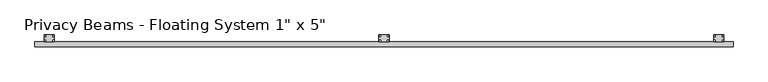
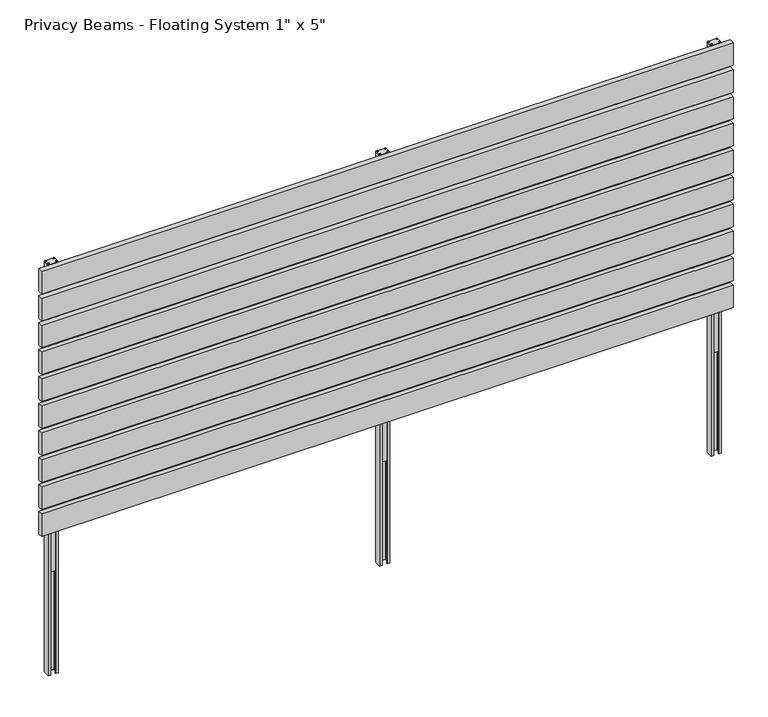
"""IFC4 building model written with IfcOpenShell, lengths in millimetres: railing geometry."""

import ifcopenshell
import ifcopenshell.guid

model = None  # the IFC model being written
_history = None  # IfcOwnerHistory: only IFC2X3 demands one
_inside = {}  # id of a spatial element -> (the spatial element, [elements in it])
_under = {}  # id of a project, library or spatial element -> (it, [spatial elements below it])
_declared = {}  # id of a project -> (the project, [libraries it declares])
_typed = {}  # id of a type object -> (the type object, [elements of that type])
_made_of = {}  # id of a material, layer set ... -> (it, [elements and type objects made of it])


def new_model(schema):
    """Start an empty IFC model of exactly this schema.

    Asked for "IFC4X3", IfcOpenShell would pick the latest addendum, in which some entities
    have other attributes; the version numbers below select the first issue.
    IFC2X3 requires an IfcOwnerHistory on every rooted entity: one is made here for all.
    """
    global model, _history
    if schema == "IFC4X3":
        model = ifcopenshell.file(schema_version=(4, 3, 0, 0))
    else:
        model = ifcopenshell.file(schema=schema)
    _inside.clear()
    _under.clear()
    _declared.clear()
    _typed.clear()
    _made_of.clear()
    _history = None
    if model.schema == "IFC2X3":
        org = make("IfcOrganization", Name="unknown")
        user = make(
            "IfcPersonAndOrganization",
            ThePerson=make("IfcPerson", FamilyName="unknown"),
            TheOrganization=org,
        )
        app = make(
            "IfcApplication",
            ApplicationDeveloper=org,
            Version="unknown",
            ApplicationFullName="unknown",
            ApplicationIdentifier="unknown",
        )
        _history = make(
            "IfcOwnerHistory",
            OwningUser=user,
            OwningApplication=app,
            ChangeAction="ADDED",
            CreationDate=0,
        )
    return model


def make(cls, **values):
    """One entity of the class cls with the attributes given. An attribute that is None is left unset."""
    return model.create_entity(
        cls, **{name: value for name, value in values.items() if value is not None}
    )


def rooted(cls, **values):
    """An entity with a GlobalId (a new one), such as an element, a storey or a relation."""
    return make(cls, GlobalId=ifcopenshell.guid.new(), OwnerHistory=_history, **values)


def si_unit(unit_type, name, prefix=None):
    """IfcSIUnit, for example si_unit("LENGTHUNIT", "METRE", prefix="MILLI")."""
    return make("IfcSIUnit", UnitType=unit_type, Prefix=prefix, Name=name)


def assignment(units):
    """IfcUnitAssignment: the units of a project."""
    return None if units is None else make("IfcUnitAssignment", Units=units)


def point(xyz):
    """IfcCartesianPoint."""
    return None if xyz is None else make("IfcCartesianPoint", Coordinates=xyz)


def direction(xyz):
    """IfcDirection."""
    return None if xyz is None else make("IfcDirection", DirectionRatios=xyz)


def frame(location, z_axis=None, x_axis=None):
    """IfcAxis2Placement3D, a coordinate frame: its origin and axes. An axis left out is left unset."""
    return make(
        "IfcAxis2Placement3D",
        Location=point(location),
        Axis=direction(z_axis),
        RefDirection=direction(x_axis),
    )


def frame_2d(location, x_axis=None):
    """IfcAxis2Placement2D, a coordinate frame in the plane: its origin and x axis."""
    return make(
        "IfcAxis2Placement2D", Location=point(location), RefDirection=direction(x_axis)
    )


def origin():
    """The frame at (0, 0, 0) with its axes left unset."""
    return frame((0.0, 0.0, 0.0))


def origin_with_axes():
    """The frame at (0, 0, 0) with the z axis (0, 0, 1) and the x axis (1, 0, 0) written out."""
    return frame((0.0, 0.0, 0.0), z_axis=(0.0, 0.0, 1.0), x_axis=(1.0, 0.0, 0.0))


def place(relative_to, where):
    """IfcLocalPlacement: puts the frame where relative to a parent placement (None: the world)."""
    return make(
        "IfcLocalPlacement", PlacementRelTo=relative_to, RelativePlacement=where
    )


def context(
    kind, dimensions, precision=None, world=None, true_north=None, identifier=None
):
    """IfcGeometricRepresentationContext, for example the 3D "Model" context."""
    return make(
        "IfcGeometricRepresentationContext",
        ContextIdentifier=identifier,
        ContextType=kind,
        CoordinateSpaceDimension=dimensions,
        Precision=precision,
        WorldCoordinateSystem=world,
        TrueNorth=true_north,
    )


def project(units=None, contexts=None):
    """IfcProject with its units and contexts."""
    return rooted(
        "IfcProject",
        Name="project",
        RepresentationContexts=contexts,
        UnitsInContext=assignment(units),
    )


def spatial(cls, under=None, at=None, **own):
    """A site, building, storey or space (cls), placed at a placement, below another one or the project."""
    s = rooted(cls, ObjectPlacement=at, **own)
    if under is not None:
        _under.setdefault(under.id(), (under, []))[1].append(s)
    return s


def polyline(points):
    """IfcPolyline through the points."""
    return make("IfcPolyline", Points=[point(p) for p in points])


def circle_curve(where, radius):
    """IfcCircle in the frame where."""
    return make("IfcCircle", Position=where, Radius=radius)


def trimmed(basis, trim1, trim2, sense, master):
    """IfcTrimmedCurve: the piece of a basis curve between two trims."""
    return make(
        "IfcTrimmedCurve",
        BasisCurve=basis,
        Trim1=trim1,
        Trim2=trim2,
        SenseAgreement=sense,
        MasterRepresentation=master,
    )


def segment(curve, same_sense, transition):
    """IfcCompositeCurveSegment."""
    return make(
        "IfcCompositeCurveSegment",
        Transition=transition,
        SameSense=same_sense,
        ParentCurve=curve,
    )


def composite_curve(segments, self_intersect=None):
    """IfcCompositeCurve: segments joined end to end."""
    return make("IfcCompositeCurve", Segments=segments, SelfIntersect=self_intersect)


def outline(outer, holes=None, kind="AREA"):
    """IfcArbitraryClosedProfileDef: a profile drawn as a closed curve; with holes, ...WithVoids."""
    if holes is None:
        return make("IfcArbitraryClosedProfileDef", ProfileType=kind, OuterCurve=outer)
    return make(
        "IfcArbitraryProfileDefWithVoids",
        ProfileType=kind,
        OuterCurve=outer,
        InnerCurves=holes,
    )


def extrude(swept, where, along, depth):
    """IfcExtrudedAreaSolid: the profile swept, set in the frame where, extruded along a direction by depth."""
    return make(
        "IfcExtrudedAreaSolid",
        SweptArea=swept,
        Position=where,
        ExtrudedDirection=direction(along),
        Depth=depth,
    )


def shape(context_of_items, identifier, shape_type, items):
    """IfcShapeRepresentation: the items that make up one representation, for example the "Body"."""
    return make(
        "IfcShapeRepresentation",
        ContextOfItems=context_of_items,
        RepresentationIdentifier=identifier,
        RepresentationType=shape_type,
        Items=items,
    )


def source(mapping_origin, context_of_items, identifier, shape_type, items):
    """IfcRepresentationMap: a shape defined once, which mapped items show again and again."""
    return make(
        "IfcRepresentationMap",
        MappingOrigin=mapping_origin,
        MappedRepresentation=shape(context_of_items, identifier, shape_type, items),
    )


def transform(
    local_origin,
    x_axis=None,
    y_axis=None,
    z_axis=None,
    scale=None,
    scale2=None,
    scale3=None,
    uniform=True,
):
    """IfcCartesianTransformationOperator3D, or its non-uniform kind. x_axis, y_axis, z_axis: its Axis1, 2, 3."""
    if uniform:
        return make(
            "IfcCartesianTransformationOperator3D",
            Axis1=direction(x_axis),
            Axis2=direction(y_axis),
            LocalOrigin=point(local_origin),
            Scale=scale,
            Axis3=direction(z_axis),
        )
    return make(
        "IfcCartesianTransformationOperator3DnonUniform",
        Axis1=direction(x_axis),
        Axis2=direction(y_axis),
        LocalOrigin=point(local_origin),
        Scale=scale,
        Axis3=direction(z_axis),
        Scale2=scale2,
        Scale3=scale3,
    )


def mapped(mapping_source, mapping_target):
    """IfcMappedItem: shows the shape of a source again, moved by a transform."""
    return make(
        "IfcMappedItem", MappingSource=mapping_source, MappingTarget=mapping_target
    )


def made_of(thing, what):
    """Note that an element or type object is made of a material, layer set ...; save() writes the relation."""
    if what is not None:
        _made_of.setdefault(what.id(), (what, []))[1].append(thing)
    return thing


def element(
    cls,
    number,
    at=None,
    inside=None,
    cuts=None,
    type_object=None,
    material=None,
    context=None,
    identifier="Body",
    shape_type=None,
    held_by="IfcProductDefinitionShape",
    body=None,
    shapes=None,
    **own,
):
    """One element of the class cls, such as IfcWall. Its Tag is "e" and its number.

    at: its placement. inside: the storey or other place that contains it. cuts: it is an
    opening in that element (IfcRelVoidsElement). A single representation is given by context,
    identifier, shape_type and body (its items); several are given by shapes. held_by: the class
    of the entity that holds the representations. save() writes the other relations.
    """
    e = rooted(cls, Tag="e%d" % number, ObjectPlacement=at, **own)
    if body is not None:
        shapes = [shape(context, identifier, shape_type, body)]
    if shapes is not None:
        e.Representation = make(held_by, Representations=shapes)
    if inside is not None:
        _inside.setdefault(inside.id(), (inside, []))[1].append(e)
    if cuts is not None:
        rooted(
            "IfcRelVoidsElement", RelatingBuildingElement=cuts, RelatedOpeningElement=e
        )
    if type_object is not None:
        _typed.setdefault(type_object.id(), (type_object, []))[1].append(e)
    return made_of(e, material)


def aggregate(whole, parts):
    """IfcRelAggregates: a whole, such as a stair, and the parts it consists of."""
    return rooted("IfcRelAggregates", RelatingObject=whole, RelatedObjects=parts)


def save(model, path):
    """Write the relations noted so far, then the file.

    IfcRelAggregates (storeys below a building ...), IfcRelContainedInSpatialStructure (elements
    in a storey), IfcRelDefinesByType, IfcRelAssociatesMaterial and IfcRelDeclares: one each for
    every whole, place, type object, material and project.
    """
    for whole, parts in _under.values():
        aggregate(whole, parts)
    for where, things in _inside.values():
        rooted(
            "IfcRelContainedInSpatialStructure",
            RelatedElements=things,
            RelatingStructure=where,
        )
    for kind, things in _typed.values():
        rooted("IfcRelDefinesByType", RelatedObjects=things, RelatingType=kind)
    for what, things in _made_of.values():
        rooted("IfcRelAssociatesMaterial", RelatedObjects=things, RelatingMaterial=what)
    for by, libraries in _declared.values():
        rooted("IfcRelDeclares", RelatingContext=by, RelatedDefinitions=libraries)
    model.write(path)


def railing_7519bdc6(model_context):
    return source(origin(), model_context, "Body", "SweptSolid", [
        extrude(outline(polyline([(8606.3719409, -43.6565), (8606.3719409, -18.2565), (12302.0719409, -18.2565), (12302.0719409, -43.6565), (8606.3719409, -43.6565)])), frame((0.0, 0.0, 1612.9), z_axis=(0.0, 0.0, 1.0), x_axis=(1.0, 0.0, 0.0)), (0.0, 0.0, 1.0), 127.0),
        extrude(outline(polyline([(8606.3719409, -43.6565), (8606.3719409, -18.2565), (12302.0719409, -18.2565), (12302.0719409, -43.6565), (8606.3719409, -43.6565)])), frame((0.0, 0.0, 1460.5), z_axis=(0.0, 0.0, 1.0), x_axis=(1.0, 0.0, 0.0)), (0.0, 0.0, 1.0), 127.0),
        extrude(outline(polyline([(8606.3719409, -43.6565), (8606.3719409, -18.2565), (12302.0719409, -18.2565), (12302.0719409, -43.6565), (8606.3719409, -43.6565)])), frame((0.0, 0.0, 1308.1), z_axis=(0.0, 0.0, 1.0), x_axis=(1.0, 0.0, 0.0)), (0.0, 0.0, 1.0), 127.0),
        extrude(outline(polyline([(8606.3719409, -43.6565), (8606.3719409, -18.2565), (12302.0719409, -18.2565), (12302.0719409, -43.6565), (8606.3719409, -43.6565)])), frame((0.0, 0.0, 1155.7), z_axis=(0.0, 0.0, 1.0), x_axis=(1.0, 0.0, 0.0)), (0.0, 0.0, 1.0), 127.0),
        extrude(outline(polyline([(8606.3719409, -43.6565), (8606.3719409, -18.2565), (12302.0719409, -18.2565), (12302.0719409, -43.6565), (8606.3719409, -43.6565)])), frame((0.0, 0.0, 1003.3), z_axis=(0.0, 0.0, 1.0), x_axis=(1.0, 0.0, 0.0)), (0.0, 0.0, 1.0), 127.0),
        extrude(outline(polyline([(8606.3719409, -43.6565), (8606.3719409, -18.2565), (12302.0719409, -18.2565), (12302.0719409, -43.6565), (8606.3719409, -43.6565)])), frame((0.0, 0.0, 850.9), z_axis=(0.0, 0.0, 1.0), x_axis=(1.0, 0.0, 0.0)), (0.0, 0.0, 1.0), 127.0),
        extrude(outline(polyline([(8606.3719409, -43.6565), (8606.3719409, -18.2565), (12302.0719409, -18.2565), (12302.0719409, -43.6565), (8606.3719409, -43.6565)])), frame((0.0, 0.0, 698.5), z_axis=(0.0, 0.0, 1.0), x_axis=(1.0, 0.0, 0.0)), (0.0, 0.0, 1.0), 127.0),
        extrude(outline(polyline([(8606.3719409, -43.6565), (8606.3719409, -18.2565), (12302.0719409, -18.2565), (12302.0719409, -43.6565), (8606.3719409, -43.6565)])), frame((0.0, 0.0, 546.1), z_axis=(0.0, 0.0, 1.0), x_axis=(1.0, 0.0, 0.0)), (0.0, 0.0, 1.0), 127.0),
        extrude(outline(polyline([(8606.3719409, -43.6565), (8606.3719409, -18.2565), (12302.0719409, -18.2565), (12302.0719409, -43.6565), (8606.3719409, -43.6565)])), frame((0.0, 0.0, 393.7), z_axis=(0.0, 0.0, 1.0), x_axis=(1.0, 0.0, 0.0)), (0.0, 0.0, 1.0), 127.0),
        extrude(outline(polyline([(8606.3719409, -43.6565), (8606.3719409, -18.2565), (12302.0719409, -18.2565), (12302.0719409, -43.6565), (8606.3719409, -43.6565)])), frame((0.0, 0.0, 241.3), z_axis=(0.0, 0.0, 1.0), x_axis=(1.0, 0.0, 0.0)), (0.0, 0.0, 1.0), 127.0),
        extrude(outline(polyline([(10438.3469409, -15.08125), (10438.3469409, -11.01725), (10470.0969409, -11.01725), (10470.0969409, -15.08125), (10438.3469409, -15.08125)])), origin_with_axes(), (0.0, 0.0, 1.0), 1739.9),
        extrude(outline(polyline([(10427.2344409, 18.25625), (10481.2094409, 18.25625), (10481.2094409, -18.25675), (10427.2344409, -18.25675), (10427.2344409, 18.25625)])), frame((0.0, 0.0, 1739.9), z_axis=(0.0, 0.0, 1.0), x_axis=(1.0, 0.0, 0.0)), (0.0, 0.0, 1.0), 4.0792363),
        extrude(outline(polyline([(10427.2344409, 18.25625), (10481.2094409, 18.25625), (10481.2094409, -18.25675), (10467.7093409, -18.25675), (10467.7093409, -15.08125), (10478.0344409, -15.08125), (10478.0344409, 15.08125), (10430.4094409, 15.08125), (10430.4094409, -15.08125), (10440.7345409, -15.08125), (10440.7345409, -18.25675), (10427.2344409, -18.25675), (10427.2344409, 18.25625)])), frame((0.0, 0.0, -579.9666667), z_axis=(0.0, 0.0, 1.0), x_axis=(1.0, 0.0, 0.0)), (0.0, 0.0, 1.0), 2319.8666667),
        extrude(outline(composite_curve([segment(trimmed(circle_curve(frame_2d((10432.3779409, 12.58575)), 4.2243107), [point((10432.3779409, 16.8100607))], [point((10432.3779409, 8.3614393))], False, "CARTESIAN"), True, "CONTINUOUS"), segment(trimmed(circle_curve(frame_2d((10432.3779409, 12.58575)), 4.2243107), [point((10432.3779409, 8.3614393))], [point((10432.3779409, 16.8100607))], False, "CARTESIAN"), True, "CONTINUOUS")], self_intersect=False)), frame((0.0, 0.0, 1743.9792363), z_axis=(0.0, 0.0, 1.0), x_axis=(1.0, 0.0, 0.0)), (0.0, 0.0, 1.0), 1.6499867),
        extrude(outline(composite_curve([segment(trimmed(circle_curve(frame_2d((10432.3779409, -12.58625)), 4.2243107), [point((10432.3779409, -8.3619393))], [point((10432.3779409, -16.8105607))], False, "CARTESIAN"), True, "CONTINUOUS"), segment(trimmed(circle_curve(frame_2d((10432.3779409, -12.58625)), 4.2243107), [point((10432.3779409, -16.8105607))], [point((10432.3779409, -8.3619393))], False, "CARTESIAN"), True, "CONTINUOUS")], self_intersect=False)), frame((0.0, 0.0, 1743.9792363), z_axis=(0.0, 0.0, 1.0), x_axis=(1.0, 0.0, 0.0)), (0.0, 0.0, 1.0), 1.6499867),
        extrude(outline(composite_curve([segment(trimmed(circle_curve(frame_2d((10476.0659409, -12.58625)), 4.2243107), [point((10476.0659409, -8.3619393))], [point((10476.0659409, -16.8105607))], False, "CARTESIAN"), True, "CONTINUOUS"), segment(trimmed(circle_curve(frame_2d((10476.0659409, -12.58625)), 4.2243107), [point((10476.0659409, -16.8105607))], [point((10476.0659409, -8.3619393))], False, "CARTESIAN"), True, "CONTINUOUS")], self_intersect=False)), frame((0.0, 0.0, 1743.9792363), z_axis=(0.0, 0.0, 1.0), x_axis=(1.0, 0.0, 0.0)), (0.0, 0.0, 1.0), 1.6499867),
        extrude(outline(composite_curve([segment(trimmed(circle_curve(frame_2d((10476.0659409, 12.58575)), 4.2243107), [point((10476.0659409, 16.8100607))], [point((10476.0659409, 8.3614393))], False, "CARTESIAN"), True, "CONTINUOUS"), segment(trimmed(circle_curve(frame_2d((10476.0659409, 12.58575)), 4.2243107), [point((10476.0659409, 8.3614393))], [point((10476.0659409, 16.8100607))], False, "CARTESIAN"), True, "CONTINUOUS")], self_intersect=False)), frame((0.0, 0.0, 1743.9792363), z_axis=(0.0, 0.0, 1.0), x_axis=(1.0, 0.0, 0.0)), (0.0, 0.0, 1.0), 1.6499867),
        extrude(outline(polyline([(12209.9969409, -15.08125), (12209.9969409, -11.01725), (12241.7469409, -11.01725), (12241.7469409, -15.08125), (12209.9969409, -15.08125)])), origin_with_axes(), (0.0, 0.0, 1.0), 1739.9),
        extrude(outline(polyline([(12198.8844409, 18.25625), (12252.8594409, 18.25625), (12252.8594409, -18.25675), (12198.8844409, -18.25675), (12198.8844409, 18.25625)])), frame((0.0, 0.0, 1739.9), z_axis=(0.0, 0.0, 1.0), x_axis=(1.0, 0.0, 0.0)), (0.0, 0.0, 1.0), 4.0792363),
        extrude(outline(polyline([(12198.8844409, 18.25625), (12252.8594409, 18.25625), (12252.8594409, -18.25675), (12239.3593409, -18.25675), (12239.3593409, -15.08125), (12249.6844409, -15.08125), (12249.6844409, 15.08125), (12202.0594409, 15.08125), (12202.0594409, -15.08125), (12212.3845409, -15.08125), (12212.3845409, -18.25675), (12198.8844409, -18.25675), (12198.8844409, 18.25625)])), frame((0.0, 0.0, -579.9666667), z_axis=(0.0, 0.0, 1.0), x_axis=(1.0, 0.0, 0.0)), (0.0, 0.0, 1.0), 2319.8666667),
        extrude(outline(composite_curve([segment(trimmed(circle_curve(frame_2d((12204.0279409, 12.58575)), 4.2243107), [point((12204.0279409, 16.8100607))], [point((12204.0279409, 8.3614393))], False, "CARTESIAN"), True, "CONTINUOUS"), segment(trimmed(circle_curve(frame_2d((12204.0279409, 12.58575)), 4.2243107), [point((12204.0279409, 8.3614393))], [point((12204.0279409, 16.8100607))], False, "CARTESIAN"), True, "CONTINUOUS")], self_intersect=False)), frame((0.0, 0.0, 1743.9792363), z_axis=(0.0, 0.0, 1.0), x_axis=(1.0, 0.0, 0.0)), (0.0, 0.0, 1.0), 1.6499867),
        extrude(outline(composite_curve([segment(trimmed(circle_curve(frame_2d((12204.0279409, -12.58625)), 4.2243107), [point((12204.0279409, -8.3619393))], [point((12204.0279409, -16.8105607))], False, "CARTESIAN"), True, "CONTINUOUS"), segment(trimmed(circle_curve(frame_2d((12204.0279409, -12.58625)), 4.2243107), [point((12204.0279409, -16.8105607))], [point((12204.0279409, -8.3619393))], False, "CARTESIAN"), True, "CONTINUOUS")], self_intersect=False)), frame((0.0, 0.0, 1743.9792363), z_axis=(0.0, 0.0, 1.0), x_axis=(1.0, 0.0, 0.0)), (0.0, 0.0, 1.0), 1.6499867),
        extrude(outline(composite_curve([segment(trimmed(circle_curve(frame_2d((12247.7159409, -12.58625)), 4.2243107), [point((12247.7159409, -8.3619393))], [point((12247.7159409, -16.8105607))], False, "CARTESIAN"), True, "CONTINUOUS"), segment(trimmed(circle_curve(frame_2d((12247.7159409, -12.58625)), 4.2243107), [point((12247.7159409, -16.8105607))], [point((12247.7159409, -8.3619393))], False, "CARTESIAN"), True, "CONTINUOUS")], self_intersect=False)), frame((0.0, 0.0, 1743.9792363), z_axis=(0.0, 0.0, 1.0), x_axis=(1.0, 0.0, 0.0)), (0.0, 0.0, 1.0), 1.6499867),
        extrude(outline(composite_curve([segment(trimmed(circle_curve(frame_2d((12247.7159409, 12.58575)), 4.2243107), [point((12247.7159409, 16.8100607))], [point((12247.7159409, 8.3614393))], False, "CARTESIAN"), True, "CONTINUOUS"), segment(trimmed(circle_curve(frame_2d((12247.7159409, 12.58575)), 4.2243107), [point((12247.7159409, 8.3614393))], [point((12247.7159409, 16.8100607))], False, "CARTESIAN"), True, "CONTINUOUS")], self_intersect=False)), frame((0.0, 0.0, 1743.9792363), z_axis=(0.0, 0.0, 1.0), x_axis=(1.0, 0.0, 0.0)), (0.0, 0.0, 1.0), 1.6499867),
        extrude(outline(polyline([(8666.6969409, -15.08125), (8666.6969409, -11.01725), (8698.4469409, -11.01725), (8698.4469409, -15.08125), (8666.6969409, -15.08125)])), origin_with_axes(), (0.0, 0.0, 1.0), 1739.9),
        extrude(outline(polyline([(8655.5844409, 18.25625), (8709.5594409, 18.25625), (8709.5594409, -18.25675), (8655.5844409, -18.25675), (8655.5844409, 18.25625)])), frame((0.0, 0.0, 1739.9), z_axis=(0.0, 0.0, 1.0), x_axis=(1.0, 0.0, 0.0)), (0.0, 0.0, 1.0), 4.0792363),
        extrude(outline(polyline([(8655.5844409, 18.25625), (8709.5594409, 18.25625), (8709.5594409, -18.25675), (8696.0593409, -18.25675), (8696.0593409, -15.08125), (8706.3844409, -15.08125), (8706.3844409, 15.08125), (8658.7594409, 15.08125), (8658.7594409, -15.08125), (8669.0845409, -15.08125), (8669.0845409, -18.25675), (8655.5844409, -18.25675), (8655.5844409, 18.25625)])), frame((0.0, 0.0, -579.9666667), z_axis=(0.0, 0.0, 1.0), x_axis=(1.0, 0.0, 0.0)), (0.0, 0.0, 1.0), 2319.8666667),
        extrude(outline(composite_curve([segment(trimmed(circle_curve(frame_2d((8660.7279409, 12.58575)), 4.2243107), [point((8660.7279409, 16.8100607))], [point((8660.7279409, 8.3614393))], False, "CARTESIAN"), True, "CONTINUOUS"), segment(trimmed(circle_curve(frame_2d((8660.7279409, 12.58575)), 4.2243107), [point((8660.7279409, 8.3614393))], [point((8660.7279409, 16.8100607))], False, "CARTESIAN"), True, "CONTINUOUS")], self_intersect=False)), frame((0.0, 0.0, 1743.9792363), z_axis=(0.0, 0.0, 1.0), x_axis=(1.0, 0.0, 0.0)), (0.0, 0.0, 1.0), 1.6499867),
        extrude(outline(composite_curve([segment(trimmed(circle_curve(frame_2d((8660.7279409, -12.58625)), 4.2243107), [point((8660.7279409, -8.3619393))], [point((8660.7279409, -16.8105607))], False, "CARTESIAN"), True, "CONTINUOUS"), segment(trimmed(circle_curve(frame_2d((8660.7279409, -12.58625)), 4.2243107), [point((8660.7279409, -16.8105607))], [point((8660.7279409, -8.3619393))], False, "CARTESIAN"), True, "CONTINUOUS")], self_intersect=False)), frame((0.0, 0.0, 1743.9792363), z_axis=(0.0, 0.0, 1.0), x_axis=(1.0, 0.0, 0.0)), (0.0, 0.0, 1.0), 1.6499867),
        extrude(outline(composite_curve([segment(trimmed(circle_curve(frame_2d((8704.4159409, -12.58625)), 4.2243107), [point((8704.4159409, -8.3619393))], [point((8704.4159409, -16.8105607))], False, "CARTESIAN"), True, "CONTINUOUS"), segment(trimmed(circle_curve(frame_2d((8704.4159409, -12.58625)), 4.2243107), [point((8704.4159409, -16.8105607))], [point((8704.4159409, -8.3619393))], False, "CARTESIAN"), True, "CONTINUOUS")], self_intersect=False)), frame((0.0, 0.0, 1743.9792363), z_axis=(0.0, 0.0, 1.0), x_axis=(1.0, 0.0, 0.0)), (0.0, 0.0, 1.0), 1.6499867),
        extrude(outline(composite_curve([segment(trimmed(circle_curve(frame_2d((8704.4159409, 12.58575)), 4.2243107), [point((8704.4159409, 16.8100607))], [point((8704.4159409, 8.3614393))], False, "CARTESIAN"), True, "CONTINUOUS"), segment(trimmed(circle_curve(frame_2d((8704.4159409, 12.58575)), 4.2243107), [point((8704.4159409, 8.3614393))], [point((8704.4159409, 16.8100607))], False, "CARTESIAN"), True, "CONTINUOUS")], self_intersect=False)), frame((0.0, 0.0, 1743.9792363), z_axis=(0.0, 0.0, 1.0), x_axis=(1.0, 0.0, 0.0)), (0.0, 0.0, 1.0), 1.6499867),
    ])


if __name__ == "__main__":
    model = new_model("IFC4")
    model_context = context("Model", 3, world=origin())
    ifc_project = project(units=[si_unit("LENGTHUNIT", "METRE", prefix="MILLI")], contexts=[model_context])
    site = spatial("IfcSite", under=ifc_project)
    building = spatial("IfcBuilding", under=site)
    placement = place(None, origin())
    railing_shape = railing_7519bdc6(model_context)
    element("IfcRailing", 1, ObjectType="Privacy Beams - Floating System 1\" x 5\"", at=placement, inside=building, context=model_context, shape_type="MappedRepresentation", body=[
        mapped(railing_shape, transform((0.0, 0.0, 0.0), x_axis=(1.0, 0.0, 0.0), y_axis=(0.0, 1.0, 0.0), z_axis=(0.0, 0.0, 1.0))),
    ])
    save(model, "model.ifc")
